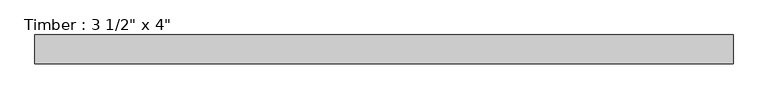
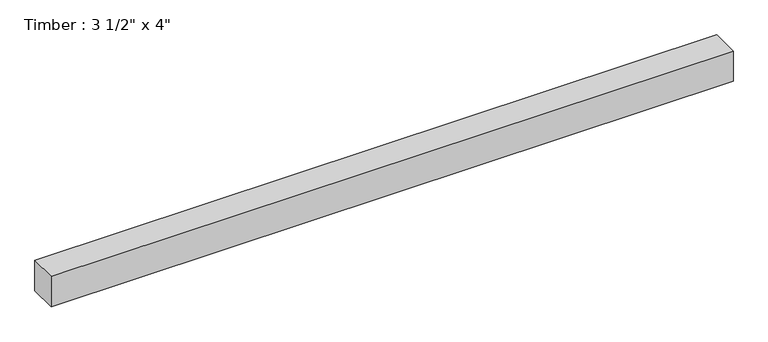
"""IFC4 building model written with IfcOpenShell, lengths in millimetres: beam geometry."""

from ifc_helpers import new_model, si_unit, frame, origin, place, context, project, spatial, polyline, outline, extrude, source, transform, mapped, element, save


def beam_3148a24a(model_context):
    return source(origin(), model_context, "Body", "SweptSolid", [
        extrude(outline(polyline([(1079.5, -44.45), (-1079.5, -44.45), (-1079.5, 44.45), (1079.5, 44.45), (1079.5, -44.45)])), frame((0.0, 0.0, -50.8), z_axis=(0.0, 0.0, 1.0), x_axis=(1.0, 0.0, 0.0)), (0.0, 0.0, 1.0), 101.6),
    ])


if __name__ == "__main__":
    model = new_model("IFC4")
    model_context = context("Model", 3, world=origin())
    ifc_project = project(units=[si_unit("LENGTHUNIT", "METRE", prefix="MILLI")], contexts=[model_context])
    site = spatial("IfcSite", under=ifc_project)
    building = spatial("IfcBuilding", under=site)
    placement = place(None, origin())
    beam_shape = beam_3148a24a(model_context)
    element("IfcBeam", 1, ObjectType="Timber : 3 1/2\" x 4\"", at=placement, inside=building, context=model_context, shape_type="MappedRepresentation", body=[
        mapped(beam_shape, transform((0.0, 0.0, 0.0), x_axis=(1.0, 0.0, 0.0), y_axis=(0.0, 1.0, 0.0), z_axis=(0.0, 0.0, 1.0))),
    ])
    save(model, "model.ifc")
